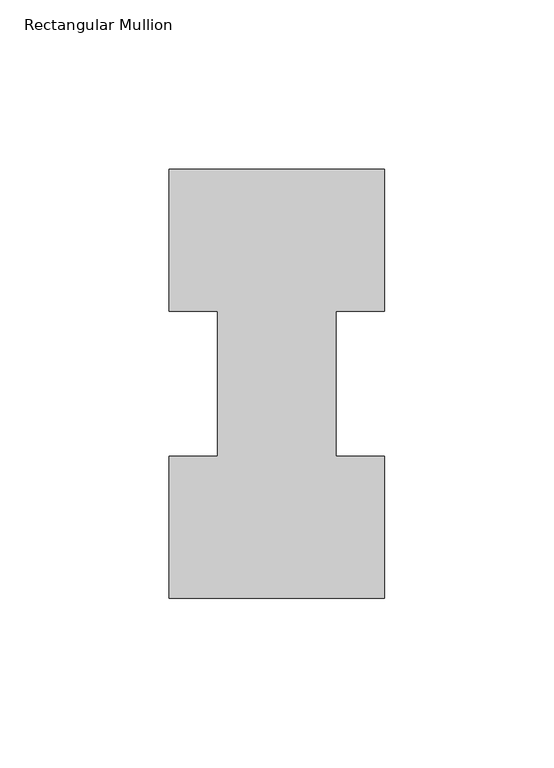
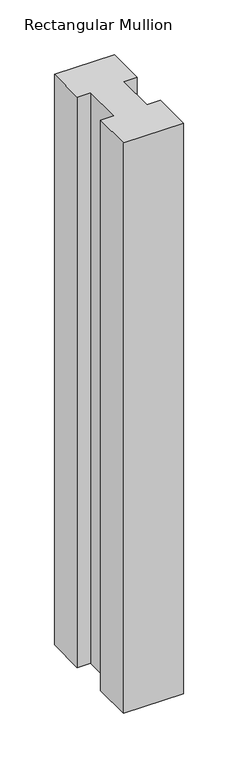
"""IFC4 building model written with IfcOpenShell, lengths in millimetres: member geometry, Rectangular Mullion."""

import ifcopenshell
import ifcopenshell.guid

model = None  # the IFC model being written
_history = None  # IfcOwnerHistory: only IFC2X3 demands one
_inside = {}  # id of a spatial element -> (the spatial element, [elements in it])
_under = {}  # id of a project, library or spatial element -> (it, [spatial elements below it])
_declared = {}  # id of a project -> (the project, [libraries it declares])
_typed = {}  # id of a type object -> (the type object, [elements of that type])
_made_of = {}  # id of a material, layer set ... -> (it, [elements and type objects made of it])


def new_model(schema):
    """Start an empty IFC model of exactly this schema.

    Asked for "IFC4X3", IfcOpenShell would pick the latest addendum, in which some entities
    have other attributes; the version numbers below select the first issue.
    IFC2X3 requires an IfcOwnerHistory on every rooted entity: one is made here for all.
    """
    global model, _history
    if schema == "IFC4X3":
        model = ifcopenshell.file(schema_version=(4, 3, 0, 0))
    else:
        model = ifcopenshell.file(schema=schema)
    _inside.clear()
    _under.clear()
    _declared.clear()
    _typed.clear()
    _made_of.clear()
    _history = None
    if model.schema == "IFC2X3":
        org = make("IfcOrganization", Name="unknown")
        user = make(
            "IfcPersonAndOrganization",
            ThePerson=make("IfcPerson", FamilyName="unknown"),
            TheOrganization=org,
        )
        app = make(
            "IfcApplication",
            ApplicationDeveloper=org,
            Version="unknown",
            ApplicationFullName="unknown",
            ApplicationIdentifier="unknown",
        )
        _history = make(
            "IfcOwnerHistory",
            OwningUser=user,
            OwningApplication=app,
            ChangeAction="ADDED",
            CreationDate=0,
        )
    return model


def make(cls, **values):
    """One entity of the class cls with the attributes given. An attribute that is None is left unset."""
    return model.create_entity(
        cls, **{name: value for name, value in values.items() if value is not None}
    )


def rooted(cls, **values):
    """An entity with a GlobalId (a new one), such as an element, a storey or a relation."""
    return make(cls, GlobalId=ifcopenshell.guid.new(), OwnerHistory=_history, **values)


def si_unit(unit_type, name, prefix=None):
    """IfcSIUnit, for example si_unit("LENGTHUNIT", "METRE", prefix="MILLI")."""
    return make("IfcSIUnit", UnitType=unit_type, Prefix=prefix, Name=name)


def assignment(units):
    """IfcUnitAssignment: the units of a project."""
    return None if units is None else make("IfcUnitAssignment", Units=units)


def point(xyz):
    """IfcCartesianPoint."""
    return None if xyz is None else make("IfcCartesianPoint", Coordinates=xyz)


def direction(xyz):
    """IfcDirection."""
    return None if xyz is None else make("IfcDirection", DirectionRatios=xyz)


def frame(location, z_axis=None, x_axis=None):
    """IfcAxis2Placement3D, a coordinate frame: its origin and axes. An axis left out is left unset."""
    return make(
        "IfcAxis2Placement3D",
        Location=point(location),
        Axis=direction(z_axis),
        RefDirection=direction(x_axis),
    )


def origin():
    """The frame at (0, 0, 0) with its axes left unset."""
    return frame((0.0, 0.0, 0.0))


def place(relative_to, where):
    """IfcLocalPlacement: puts the frame where relative to a parent placement (None: the world)."""
    return make(
        "IfcLocalPlacement", PlacementRelTo=relative_to, RelativePlacement=where
    )


def context(
    kind, dimensions, precision=None, world=None, true_north=None, identifier=None
):
    """IfcGeometricRepresentationContext, for example the 3D "Model" context."""
    return make(
        "IfcGeometricRepresentationContext",
        ContextIdentifier=identifier,
        ContextType=kind,
        CoordinateSpaceDimension=dimensions,
        Precision=precision,
        WorldCoordinateSystem=world,
        TrueNorth=true_north,
    )


def project(units=None, contexts=None):
    """IfcProject with its units and contexts."""
    return rooted(
        "IfcProject",
        Name="project",
        RepresentationContexts=contexts,
        UnitsInContext=assignment(units),
    )


def spatial(cls, under=None, at=None, **own):
    """A site, building, storey or space (cls), placed at a placement, below another one or the project."""
    s = rooted(cls, ObjectPlacement=at, **own)
    if under is not None:
        _under.setdefault(under.id(), (under, []))[1].append(s)
    return s


def polyline(points):
    """IfcPolyline through the points."""
    return make("IfcPolyline", Points=[point(p) for p in points])


def outline(outer, holes=None, kind="AREA"):
    """IfcArbitraryClosedProfileDef: a profile drawn as a closed curve; with holes, ...WithVoids."""
    if holes is None:
        return make("IfcArbitraryClosedProfileDef", ProfileType=kind, OuterCurve=outer)
    return make(
        "IfcArbitraryProfileDefWithVoids",
        ProfileType=kind,
        OuterCurve=outer,
        InnerCurves=holes,
    )


def extrude(swept, where, along, depth):
    """IfcExtrudedAreaSolid: the profile swept, set in the frame where, extruded along a direction by depth."""
    return make(
        "IfcExtrudedAreaSolid",
        SweptArea=swept,
        Position=where,
        ExtrudedDirection=direction(along),
        Depth=depth,
    )


def shape(context_of_items, identifier, shape_type, items):
    """IfcShapeRepresentation: the items that make up one representation, for example the "Body"."""
    return make(
        "IfcShapeRepresentation",
        ContextOfItems=context_of_items,
        RepresentationIdentifier=identifier,
        RepresentationType=shape_type,
        Items=items,
    )


def source(mapping_origin, context_of_items, identifier, shape_type, items):
    """IfcRepresentationMap: a shape defined once, which mapped items show again and again."""
    return make(
        "IfcRepresentationMap",
        MappingOrigin=mapping_origin,
        MappedRepresentation=shape(context_of_items, identifier, shape_type, items),
    )


def transform(
    local_origin,
    x_axis=None,
    y_axis=None,
    z_axis=None,
    scale=None,
    scale2=None,
    scale3=None,
    uniform=True,
):
    """IfcCartesianTransformationOperator3D, or its non-uniform kind. x_axis, y_axis, z_axis: its Axis1, 2, 3."""
    if uniform:
        return make(
            "IfcCartesianTransformationOperator3D",
            Axis1=direction(x_axis),
            Axis2=direction(y_axis),
            LocalOrigin=point(local_origin),
            Scale=scale,
            Axis3=direction(z_axis),
        )
    return make(
        "IfcCartesianTransformationOperator3DnonUniform",
        Axis1=direction(x_axis),
        Axis2=direction(y_axis),
        LocalOrigin=point(local_origin),
        Scale=scale,
        Axis3=direction(z_axis),
        Scale2=scale2,
        Scale3=scale3,
    )


def mapped(mapping_source, mapping_target):
    """IfcMappedItem: shows the shape of a source again, moved by a transform."""
    return make(
        "IfcMappedItem", MappingSource=mapping_source, MappingTarget=mapping_target
    )


def made_of(thing, what):
    """Note that an element or type object is made of a material, layer set ...; save() writes the relation."""
    if what is not None:
        _made_of.setdefault(what.id(), (what, []))[1].append(thing)
    return thing


def element(
    cls,
    number,
    at=None,
    inside=None,
    cuts=None,
    type_object=None,
    material=None,
    context=None,
    identifier="Body",
    shape_type=None,
    held_by="IfcProductDefinitionShape",
    body=None,
    shapes=None,
    **own,
):
    """One element of the class cls, such as IfcWall. Its Tag is "e" and its number.

    at: its placement. inside: the storey or other place that contains it. cuts: it is an
    opening in that element (IfcRelVoidsElement). A single representation is given by context,
    identifier, shape_type and body (its items); several are given by shapes. held_by: the class
    of the entity that holds the representations. save() writes the other relations.
    """
    e = rooted(cls, Tag="e%d" % number, ObjectPlacement=at, **own)
    if body is not None:
        shapes = [shape(context, identifier, shape_type, body)]
    if shapes is not None:
        e.Representation = make(held_by, Representations=shapes)
    if inside is not None:
        _inside.setdefault(inside.id(), (inside, []))[1].append(e)
    if cuts is not None:
        rooted(
            "IfcRelVoidsElement", RelatingBuildingElement=cuts, RelatedOpeningElement=e
        )
    if type_object is not None:
        _typed.setdefault(type_object.id(), (type_object, []))[1].append(e)
    return made_of(e, material)


def aggregate(whole, parts):
    """IfcRelAggregates: a whole, such as a stair, and the parts it consists of."""
    return rooted("IfcRelAggregates", RelatingObject=whole, RelatedObjects=parts)


def save(model, path):
    """Write the relations noted so far, then the file.

    IfcRelAggregates (storeys below a building ...), IfcRelContainedInSpatialStructure (elements
    in a storey), IfcRelDefinesByType, IfcRelAssociatesMaterial and IfcRelDeclares: one each for
    every whole, place, type object, material and project.
    """
    for whole, parts in _under.values():
        aggregate(whole, parts)
    for where, things in _inside.values():
        rooted(
            "IfcRelContainedInSpatialStructure",
            RelatedElements=things,
            RelatingStructure=where,
        )
    for kind, things in _typed.values():
        rooted("IfcRelDefinesByType", RelatedObjects=things, RelatingType=kind)
    for what, things in _made_of.values():
        rooted("IfcRelAssociatesMaterial", RelatedObjects=things, RelatingMaterial=what)
    for by, libraries in _declared.values():
        rooted("IfcRelDeclares", RelatingContext=by, RelatedDefinitions=libraries)
    model.write(path)


def rectangular_mullion_41b91861(model_context):
    return source(origin(), model_context, "Body", "SweptSolid", [
        extrude(outline(polyline([(-63.5, -0.0373063), (-63.5, 41.7837937), (-49.2125, 41.7837937), (-49.2125, 84.6335938), (-63.5, 84.6335938), (-63.5, 126.4546937), (0.0, 126.4546937), (0.0, 84.6335938), (-14.2748, 84.6335938), (-14.2748, 41.7837937), (0.0, 41.7837937), (0.0, -0.0373063), (-63.5, -0.0373063)])), frame((0.0, 0.0, -638.175), z_axis=(0.0, 0.0, 1.0), x_axis=(1.0, 0.0, 0.0)), (0.0, 0.0, 1.0), 638.175),
    ])


if __name__ == "__main__":
    model = new_model("IFC4")
    model_context = context("Model", 3, world=origin())
    ifc_project = project(units=[si_unit("LENGTHUNIT", "METRE", prefix="MILLI")], contexts=[model_context])
    site = spatial("IfcSite", under=ifc_project)
    building = spatial("IfcBuilding", under=site)
    placement = place(None, origin())
    rectangular_mullion_shape = rectangular_mullion_41b91861(model_context)
    element("IfcMember", 1, ObjectType="Rectangular Mullion", at=placement, inside=building, context=model_context, shape_type="MappedRepresentation", body=[
        mapped(rectangular_mullion_shape, transform((0.0, 0.0, 0.0), x_axis=(1.0, 0.0, 0.0), y_axis=(0.0, 1.0, 0.0), z_axis=(0.0, 0.0, 1.0))),
    ])
    save(model, "model.ifc")
